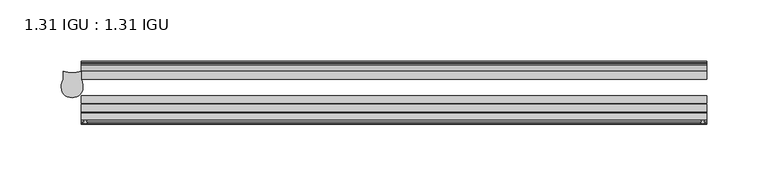
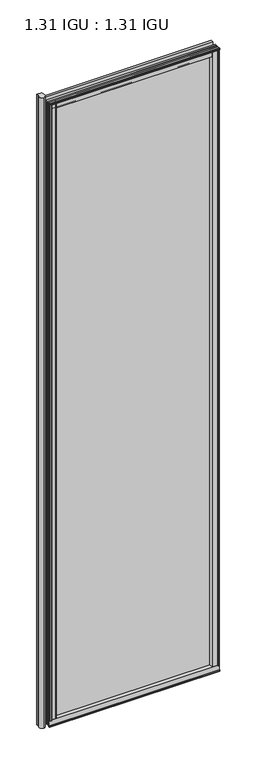
"""IFC4 building model written with IfcOpenShell, lengths in millimetres: plate geometry, 1.31 IGU : 1.31 IGU."""

import ifcopenshell
import ifcopenshell.guid

model = None  # the IFC model being written
_history = None  # IfcOwnerHistory: only IFC2X3 demands one
_inside = {}  # id of a spatial element -> (the spatial element, [elements in it])
_under = {}  # id of a project, library or spatial element -> (it, [spatial elements below it])
_declared = {}  # id of a project -> (the project, [libraries it declares])
_typed = {}  # id of a type object -> (the type object, [elements of that type])
_made_of = {}  # id of a material, layer set ... -> (it, [elements and type objects made of it])


def new_model(schema):
    """Start an empty IFC model of exactly this schema.

    Asked for "IFC4X3", IfcOpenShell would pick the latest addendum, in which some entities
    have other attributes; the version numbers below select the first issue.
    IFC2X3 requires an IfcOwnerHistory on every rooted entity: one is made here for all.
    """
    global model, _history
    if schema == "IFC4X3":
        model = ifcopenshell.file(schema_version=(4, 3, 0, 0))
    else:
        model = ifcopenshell.file(schema=schema)
    _inside.clear()
    _under.clear()
    _declared.clear()
    _typed.clear()
    _made_of.clear()
    _history = None
    if model.schema == "IFC2X3":
        org = make("IfcOrganization", Name="unknown")
        user = make(
            "IfcPersonAndOrganization",
            ThePerson=make("IfcPerson", FamilyName="unknown"),
            TheOrganization=org,
        )
        app = make(
            "IfcApplication",
            ApplicationDeveloper=org,
            Version="unknown",
            ApplicationFullName="unknown",
            ApplicationIdentifier="unknown",
        )
        _history = make(
            "IfcOwnerHistory",
            OwningUser=user,
            OwningApplication=app,
            ChangeAction="ADDED",
            CreationDate=0,
        )
    return model


def make(cls, **values):
    """One entity of the class cls with the attributes given. An attribute that is None is left unset."""
    return model.create_entity(
        cls, **{name: value for name, value in values.items() if value is not None}
    )


def rooted(cls, **values):
    """An entity with a GlobalId (a new one), such as an element, a storey or a relation."""
    return make(cls, GlobalId=ifcopenshell.guid.new(), OwnerHistory=_history, **values)


def si_unit(unit_type, name, prefix=None):
    """IfcSIUnit, for example si_unit("LENGTHUNIT", "METRE", prefix="MILLI")."""
    return make("IfcSIUnit", UnitType=unit_type, Prefix=prefix, Name=name)


def assignment(units):
    """IfcUnitAssignment: the units of a project."""
    return None if units is None else make("IfcUnitAssignment", Units=units)


def point(xyz):
    """IfcCartesianPoint."""
    return None if xyz is None else make("IfcCartesianPoint", Coordinates=xyz)


def direction(xyz):
    """IfcDirection."""
    return None if xyz is None else make("IfcDirection", DirectionRatios=xyz)


def frame(location, z_axis=None, x_axis=None):
    """IfcAxis2Placement3D, a coordinate frame: its origin and axes. An axis left out is left unset."""
    return make(
        "IfcAxis2Placement3D",
        Location=point(location),
        Axis=direction(z_axis),
        RefDirection=direction(x_axis),
    )


def frame_2d(location, x_axis=None):
    """IfcAxis2Placement2D, a coordinate frame in the plane: its origin and x axis."""
    return make(
        "IfcAxis2Placement2D", Location=point(location), RefDirection=direction(x_axis)
    )


def origin():
    """The frame at (0, 0, 0) with its axes left unset."""
    return frame((0.0, 0.0, 0.0))


def origin_with_axes():
    """The frame at (0, 0, 0) with the z axis (0, 0, 1) and the x axis (1, 0, 0) written out."""
    return frame((0.0, 0.0, 0.0), z_axis=(0.0, 0.0, 1.0), x_axis=(1.0, 0.0, 0.0))


def place(relative_to, where):
    """IfcLocalPlacement: puts the frame where relative to a parent placement (None: the world)."""
    return make(
        "IfcLocalPlacement", PlacementRelTo=relative_to, RelativePlacement=where
    )


def context(
    kind, dimensions, precision=None, world=None, true_north=None, identifier=None
):
    """IfcGeometricRepresentationContext, for example the 3D "Model" context."""
    return make(
        "IfcGeometricRepresentationContext",
        ContextIdentifier=identifier,
        ContextType=kind,
        CoordinateSpaceDimension=dimensions,
        Precision=precision,
        WorldCoordinateSystem=world,
        TrueNorth=true_north,
    )


def project(units=None, contexts=None):
    """IfcProject with its units and contexts."""
    return rooted(
        "IfcProject",
        Name="project",
        RepresentationContexts=contexts,
        UnitsInContext=assignment(units),
    )


def spatial(cls, under=None, at=None, **own):
    """A site, building, storey or space (cls), placed at a placement, below another one or the project."""
    s = rooted(cls, ObjectPlacement=at, **own)
    if under is not None:
        _under.setdefault(under.id(), (under, []))[1].append(s)
    return s


def polyline(points):
    """IfcPolyline through the points."""
    return make("IfcPolyline", Points=[point(p) for p in points])


def circle_curve(where, radius):
    """IfcCircle in the frame where."""
    return make("IfcCircle", Position=where, Radius=radius)


def ellipse_curve(where, semi_axis1, semi_axis2):
    """IfcEllipse in the frame where."""
    return make(
        "IfcEllipse", Position=where, SemiAxis1=semi_axis1, SemiAxis2=semi_axis2
    )


def trimmed(basis, trim1, trim2, sense, master):
    """IfcTrimmedCurve: the piece of a basis curve between two trims."""
    return make(
        "IfcTrimmedCurve",
        BasisCurve=basis,
        Trim1=trim1,
        Trim2=trim2,
        SenseAgreement=sense,
        MasterRepresentation=master,
    )


def segment(curve, same_sense, transition):
    """IfcCompositeCurveSegment."""
    return make(
        "IfcCompositeCurveSegment",
        Transition=transition,
        SameSense=same_sense,
        ParentCurve=curve,
    )


def composite_curve(segments, self_intersect=None):
    """IfcCompositeCurve: segments joined end to end."""
    return make("IfcCompositeCurve", Segments=segments, SelfIntersect=self_intersect)


def outline(outer, holes=None, kind="AREA"):
    """IfcArbitraryClosedProfileDef: a profile drawn as a closed curve; with holes, ...WithVoids."""
    if holes is None:
        return make("IfcArbitraryClosedProfileDef", ProfileType=kind, OuterCurve=outer)
    return make(
        "IfcArbitraryProfileDefWithVoids",
        ProfileType=kind,
        OuterCurve=outer,
        InnerCurves=holes,
    )


def extrude(swept, where, along, depth):
    """IfcExtrudedAreaSolid: the profile swept, set in the frame where, extruded along a direction by depth."""
    return make(
        "IfcExtrudedAreaSolid",
        SweptArea=swept,
        Position=where,
        ExtrudedDirection=direction(along),
        Depth=depth,
    )


def shape(context_of_items, identifier, shape_type, items):
    """IfcShapeRepresentation: the items that make up one representation, for example the "Body"."""
    return make(
        "IfcShapeRepresentation",
        ContextOfItems=context_of_items,
        RepresentationIdentifier=identifier,
        RepresentationType=shape_type,
        Items=items,
    )


def source(mapping_origin, context_of_items, identifier, shape_type, items):
    """IfcRepresentationMap: a shape defined once, which mapped items show again and again."""
    return make(
        "IfcRepresentationMap",
        MappingOrigin=mapping_origin,
        MappedRepresentation=shape(context_of_items, identifier, shape_type, items),
    )


def transform(
    local_origin,
    x_axis=None,
    y_axis=None,
    z_axis=None,
    scale=None,
    scale2=None,
    scale3=None,
    uniform=True,
):
    """IfcCartesianTransformationOperator3D, or its non-uniform kind. x_axis, y_axis, z_axis: its Axis1, 2, 3."""
    if uniform:
        return make(
            "IfcCartesianTransformationOperator3D",
            Axis1=direction(x_axis),
            Axis2=direction(y_axis),
            LocalOrigin=point(local_origin),
            Scale=scale,
            Axis3=direction(z_axis),
        )
    return make(
        "IfcCartesianTransformationOperator3DnonUniform",
        Axis1=direction(x_axis),
        Axis2=direction(y_axis),
        LocalOrigin=point(local_origin),
        Scale=scale,
        Axis3=direction(z_axis),
        Scale2=scale2,
        Scale3=scale3,
    )


def mapped(mapping_source, mapping_target):
    """IfcMappedItem: shows the shape of a source again, moved by a transform."""
    return make(
        "IfcMappedItem", MappingSource=mapping_source, MappingTarget=mapping_target
    )


def made_of(thing, what):
    """Note that an element or type object is made of a material, layer set ...; save() writes the relation."""
    if what is not None:
        _made_of.setdefault(what.id(), (what, []))[1].append(thing)
    return thing


def element(
    cls,
    number,
    at=None,
    inside=None,
    cuts=None,
    type_object=None,
    material=None,
    context=None,
    identifier="Body",
    shape_type=None,
    held_by="IfcProductDefinitionShape",
    body=None,
    shapes=None,
    **own,
):
    """One element of the class cls, such as IfcWall. Its Tag is "e" and its number.

    at: its placement. inside: the storey or other place that contains it. cuts: it is an
    opening in that element (IfcRelVoidsElement). A single representation is given by context,
    identifier, shape_type and body (its items); several are given by shapes. held_by: the class
    of the entity that holds the representations. save() writes the other relations.
    """
    e = rooted(cls, Tag="e%d" % number, ObjectPlacement=at, **own)
    if body is not None:
        shapes = [shape(context, identifier, shape_type, body)]
    if shapes is not None:
        e.Representation = make(held_by, Representations=shapes)
    if inside is not None:
        _inside.setdefault(inside.id(), (inside, []))[1].append(e)
    if cuts is not None:
        rooted(
            "IfcRelVoidsElement", RelatingBuildingElement=cuts, RelatedOpeningElement=e
        )
    if type_object is not None:
        _typed.setdefault(type_object.id(), (type_object, []))[1].append(e)
    return made_of(e, material)


def aggregate(whole, parts):
    """IfcRelAggregates: a whole, such as a stair, and the parts it consists of."""
    return rooted("IfcRelAggregates", RelatingObject=whole, RelatedObjects=parts)


def save(model, path):
    """Write the relations noted so far, then the file.

    IfcRelAggregates (storeys below a building ...), IfcRelContainedInSpatialStructure (elements
    in a storey), IfcRelDefinesByType, IfcRelAssociatesMaterial and IfcRelDeclares: one each for
    every whole, place, type object, material and project.
    """
    for whole, parts in _under.values():
        aggregate(whole, parts)
    for where, things in _inside.values():
        rooted(
            "IfcRelContainedInSpatialStructure",
            RelatedElements=things,
            RelatingStructure=where,
        )
    for kind, things in _typed.values():
        rooted("IfcRelDefinesByType", RelatedObjects=things, RelatingType=kind)
    for what, things in _made_of.values():
        rooted("IfcRelAssociatesMaterial", RelatedObjects=things, RelatingMaterial=what)
    for by, libraries in _declared.values():
        rooted("IfcRelDeclares", RelatingContext=by, RelatedDefinitions=libraries)
    model.write(path)


def plane_surface(at):
    """IfcPlane: the flat surface through the origin of the frame at, square to its z axis."""
    return make("IfcPlane", Position=at)


def cylinder_surface(at, radius):
    """IfcCylindricalSurface: all points at the distance radius from the z axis of the frame at."""
    return make("IfcCylindricalSurface", Position=at, Radius=radius)


def revolved_surface(curve, axis_point, axis_direction):
    """IfcSurfaceOfRevolution: the curve turned about the line through axis_point along axis_direction."""
    return make(
        "IfcSurfaceOfRevolution",
        SweptCurve=make("IfcArbitraryOpenProfileDef", ProfileType="CURVE", Curve=curve),
        AxisPosition=make("IfcAxis1Placement", Location=point(axis_point), Axis=direction(axis_direction)),
    )


def extruded_surface(curve, direction_of_extrusion, depth):
    """IfcSurfaceOfLinearExtrusion: the curve pushed along a direction by depth."""
    return make(
        "IfcSurfaceOfLinearExtrusion",
        SweptCurve=make("IfcArbitraryOpenProfileDef", ProfileType="CURVE", Curve=curve),
        ExtrudedDirection=direction(direction_of_extrusion),
        Depth=depth,
    )


def advanced_brep(points, edges, surfaces, faces):
    """IfcAdvancedBrep: a solid bounded by faces that lie on surfaces and meet in shared edges.

    An edge is (start, end): straight between two places in points (the first is 0);
    or (start, end, curve); or (start, end, curve, False) where it runs against its curve.
    A face is (place in surfaces, loops), or (place, loops, False) where it looks against
    its surface's normal. A loop lists edges by number (the first is 1), with a minus sign
    where the edge is run from its end to its start. The first loop is the outer one.
    """
    corners = [point(p) for p in points]
    vertices = [make("IfcVertexPoint", VertexGeometry=c) for c in corners]
    made = []
    for start, end, *more in edges:
        made.append(
            make(
                "IfcEdgeCurve",
                EdgeStart=vertices[start],
                EdgeEnd=vertices[end],
                EdgeGeometry=more[0] if more else make("IfcPolyline", Points=[corners[start], corners[end]]),
                SameSense=more[1] if len(more) > 1 else True,
            )
        )
    hull = []
    for where, loops, *sense in faces:
        bounds = []
        for j, loop in enumerate(loops):
            ring = [make("IfcOrientedEdge", EdgeElement=made[abs(k) - 1], Orientation=k > 0) for k in loop]
            bounds.append(
                make(
                    "IfcFaceOuterBound" if j == 0 else "IfcFaceBound",
                    Bound=make("IfcEdgeLoop", EdgeList=ring),
                    Orientation=True,
                )
            )
        hull.append(make("IfcAdvancedFace", Bounds=bounds, FaceSurface=surfaces[where], SameSense=sense[0] if sense else True))
    return make("IfcAdvancedBrep", Outer=make("IfcClosedShell", CfsFaces=hull))


def plate_1_31_igu_1_31_igu_43e6f790(model_context):
    return source(origin(), model_context, "Body", "SolidModel", [
        advanced_brep(
        [(-210.1117597, -39.3432088, 1974.8372998), (-201.289837, -31.0522938, 1974.8372998), (-202.7487195, -24.3085937, 1974.8372998), (-202.7487195, -17.9585937, 1974.8372998), (-210.1117597, -18.9109532, 1974.8372998), (-217.4748, -17.9585937, 1974.8372998), (-217.4748, -24.3085937, 1974.8372998), (-218.9336825, -31.0522937, 1974.8372998), (-210.1117597, -39.3432088, -31.7372998), (-218.9336825, -31.0522937, -31.7372998), (-217.4748, -24.3085937, -31.7372998), (-217.4748, -17.9585937, -31.7372998), (-210.1117597, -18.9109532, -31.7372998), (-202.7487195, -17.9585937, -31.7372998), (-202.7487195, -24.3085937, -31.7372998), (-201.289837, -31.0522938, -31.7372998)],
        [
            (0, 1, ellipse_curve(frame((-209.3823185, -31.0522937, 1974.8372998), z_axis=(0.0, 0.0, 1.0), x_axis=(0.0, 1.0, 0.0)), 8.3248031, 8.0924815)),
            (1, 2, circle_curve(frame((-217.6056908, -31.0522937, 1974.8372998), z_axis=(0.0, 0.0, 1.0), x_axis=(0.0, 1.0, 0.0)), 16.3158538)),
            (2, 3),
            (3, 4, circle_curve(frame((-210.1117597, 10.0284087, 1974.8372998), z_axis=(0.0, 0.0, -1.0), x_axis=(0.0, 1.0, 0.0)), 28.9393619)),
            (4, 5, circle_curve(frame((-210.1117597, 10.0284087, 1974.8372998), z_axis=(0.0, 0.0, -1.0), x_axis=(0.0, 1.0, 0.0)), 28.9393619)),
            (5, 6),
            (6, 7, circle_curve(frame((-202.6178287, -31.0522937, 1974.8372998), z_axis=(0.0, 0.0, 1.0), x_axis=(0.0, 1.0, 0.0)), 16.3158538)),
            (7, 0, ellipse_curve(frame((-210.841201, -31.0522937, 1974.8372998), z_axis=(0.0, 0.0, 1.0), x_axis=(0.0, 1.0, 0.0)), 8.3248031, 8.0924815)),
            (8, 9, ellipse_curve(frame((-210.841201, -31.0522937, -31.7372998), z_axis=(0.0, 0.0, -1.0), x_axis=(0.0, 1.0, 0.0)), 8.3248031, 8.0924815)),
            (9, 10, circle_curve(frame((-202.6178287, -31.0522937, -31.7372998), z_axis=(0.0, 0.0, -1.0), x_axis=(0.0, 1.0, 0.0)), 16.3158538)),
            (10, 11),
            (11, 12, circle_curve(frame((-210.1117597, 10.0284087, -31.7372998), z_axis=(0.0, 0.0, 1.0), x_axis=(0.0, 1.0, 0.0)), 28.9393619)),
            (12, 13, circle_curve(frame((-210.1117597, 10.0284087, -31.7372998), z_axis=(0.0, 0.0, 1.0), x_axis=(0.0, 1.0, 0.0)), 28.9393619)),
            (13, 14),
            (14, 15, circle_curve(frame((-217.6056908, -31.0522937, -31.7372998), z_axis=(0.0, 0.0, -1.0), x_axis=(0.0, 1.0, 0.0)), 16.3158538)),
            (15, 8, ellipse_curve(frame((-209.3823185, -31.0522937, -31.7372998), z_axis=(0.0, 0.0, -1.0), x_axis=(0.0, 1.0, 0.0)), 8.3248031, 8.0924815)),
            (7, 9),
            (8, 0),
            (6, 10),
            (5, 11),
            (4, 12),
            (3, 13),
            (2, 14),
            (1, 15),
        ],
        [
            plane_surface(frame((-288.925, -11.6085937, 1974.8372998), z_axis=(0.0, 0.0, 1.0), x_axis=(0.0, 1.0, 0.0))),
            plane_surface(frame((-288.925, -11.6085937, -31.7372998), z_axis=(0.0, 0.0, -1.0), x_axis=(0.0, 1.0, 0.0))),
            extruded_surface(trimmed(ellipse_curve(frame((-210.841201, -31.0522937, -31.7372998), z_axis=(0.0, 0.0, 1.0), x_axis=(0.0, 1.0, 0.0)), 8.3248031, 8.0924815), [point((-218.9336825, -31.0522937, -31.7372998))], [point((-210.1117597, -39.3432088, -31.7372998))], True, "CARTESIAN"), (0.0, 0.0, 2006.5745996), 2006.5745996),
            cylinder_surface(frame((-202.6178287, -31.0522937, 1974.8372998), z_axis=(0.0, 0.0, 1.0), x_axis=(0.0, 1.0, 0.0)), 16.3158538),
            plane_surface(frame((-217.4748, -17.9585937, 1974.8372998), z_axis=(-1.0, 0.0, 0.0), x_axis=(0.0, 0.0, -1.0))),
            revolved_surface(polyline([(-210.1117597, 38.9677706, -31.737299800000073), (-210.1117597, 38.9677706, 1974.8372998)]), (-210.1117597, 10.0284087, 1974.8372998), (0.0, 0.0, -1.0)),
            plane_surface(frame((-202.7487195, -24.3085937, 1974.8372998), z_axis=(1.0, 0.0, 0.0), x_axis=(0.0, 0.0, -1.0))),
            cylinder_surface(frame((-217.6056908, -31.0522937, 1974.8372998), z_axis=(0.0, 0.0, 1.0), x_axis=(0.0, 1.0, 0.0)), 16.3158538),
            extruded_surface(trimmed(ellipse_curve(frame((-209.3823185, -31.0522937, -31.7372998), z_axis=(0.0, 0.0, 1.0), x_axis=(0.0, 1.0, 0.0)), 8.3248031, 8.0924815), [point((-210.1117597, -39.3432088, -31.7372998))], [point((-201.289837, -31.0522938, -31.7372998))], True, "CARTESIAN"), (0.0, 0.0, 2006.5745996), 2006.5745996),
        ],
        [
            (0, [[1, 2, 3, 4, 5, 6, 7, 8]]),
            (1, [[9, 10, 11, 12, 13, 14, 15, 16]]),
            (2, [[-8, 17, -9, 18]]),
            (3, [[-7, 19, -10, -17]]),
            (4, [[-6, 20, -11, -19]]),
            (5, [[-5, 21, -12, -20]]),
            (5, [[-4, 22, -13, -21]]),
            (6, [[-3, 23, -14, -22]]),
            (7, [[-2, 24, -15, -23]]),
            (8, [[-1, -18, -16, -24]]),
        ],
    ),
        extrude(outline(composite_curve([segment(polyline([(303.2245906, -57.6333938), (287.0398437, -57.6333938)]), True, "CONTINUOUS"), segment(trimmed(circle_curve(frame_2d((279.7451146, -57.6547678)), 7.2947605), [point((287.0398437, -57.6333938))], [point((283.2974551, -51.2833938))], True, "CARTESIAN"), True, "CONTINUOUS"), segment(polyline([(283.2974551, -51.2833938), (306.167876, -51.2833938)]), True, "CONTINUOUS"), segment(trimmed(circle_curve(frame_2d((306.167876, -52.0707938)), 0.7874), [point((306.167876, -51.2833938))], [point((306.9494069, -51.9748338))], False, "CARTESIAN"), True, "CONTINUOUS"), segment(polyline([(306.9494069, -51.9748338), (307.6441906, -57.6333938), (305.7137906, -57.6333938), (305.2565906, -59.624458), (306.2579525, -59.3561439), (306.5011906, -60.263921), (304.4691906, -60.8083938), (302.4371906, -60.263921), (302.6804288, -59.3561439), (303.6817906, -59.624458), (303.2245906, -57.6333938)]), True, "CONTINUOUS")], self_intersect=False)), origin_with_axes(), (0.0, 0.0, 1.0), 1962.15),
        extrude(outline(composite_curve([segment(polyline([(-182.0664063, -57.6333937), (-198.2511531, -57.6333937), (-198.7083531, -59.624458), (-197.7069913, -59.3561439), (-197.4637531, -60.263921), (-199.4957531, -60.8083937), (-201.5277531, -60.263921), (-201.284515, -59.3561439), (-200.2831531, -59.624458), (-200.7403531, -57.6333937), (-202.6707531, -57.6333937), (-201.9759694, -51.9748338)]), True, "CONTINUOUS"), segment(trimmed(circle_curve(frame_2d((-201.1944385, -52.0707937)), 0.7874), [point((-201.9759694, -51.9748338))], [point((-201.1944385, -51.2833937))], False, "CARTESIAN"), True, "CONTINUOUS"), segment(polyline([(-201.1944385, -51.2833937), (-178.3240176, -51.2833937)]), True, "CONTINUOUS"), segment(trimmed(circle_curve(frame_2d((-174.7716771, -57.6547678)), 7.2947605), [point((-178.3240176, -51.2833937))], [point((-182.0664063, -57.6333937))], True, "CARTESIAN"), True, "CONTINUOUS")], self_intersect=False)), origin_with_axes(), (0.0, 0.0, 1.0), 1962.15),
        extrude(outline(polyline([(-9.7543937, -6.8579998), (-10.4009552, -9.2709998), (-11.2596632, -9.0409097), (-10.8839895, -7.6388763), (-13.1833937, -8.3819998), (-13.1833937, -11.7850089), (-17.9585937, -10.1533914), (-17.9585937, 0.6595133), (-13.1833937, -0.5079998), (-13.1833937, -5.4609998), (-10.8839895, -6.0771233), (-11.2596632, -4.6750899), (-10.4009552, -4.4449998), (-9.7543937, -6.8579998)])), frame((-202.7039063, 0.0, 0.0), z_axis=(1.0, 0.0, 0.0), x_axis=(0.0, 1.0, 0.0)), (0.0, 0.0, 1.0), 510.38125),
        extrude(outline(composite_curve([segment(polyline([(-51.9748338, -19.930016), (-57.6333937, -20.6247998), (-57.6333937, -18.6943998), (-59.624458, -18.2371998), (-59.3561439, -19.2385617), (-60.263921, -19.4817998), (-60.8083937, -17.4497998), (-60.263921, -15.4177998), (-59.3561439, -15.6610379), (-59.624458, -16.6623998), (-57.6333937, -16.2051998), (-57.6333937, 0.0127002)]), True, "CONTINUOUS"), segment(trimmed(circle_curve(frame_2d((-58.1588233, 7.9620141)), 7.9666598), [point((-57.6333937, 0.0127002))], [point((-51.2833937, 3.9375717))], True, "CARTESIAN"), True, "CONTINUOUS"), segment(polyline([(-51.2833937, 3.9375717), (-51.2833937, -19.1484852)]), True, "CONTINUOUS"), segment(trimmed(circle_curve(frame_2d((-52.0707937, -19.1484852)), 0.7874), [point((-51.2833937, -19.1484852))], [point((-51.9748338, -19.930016))], False, "CARTESIAN"), True, "CONTINUOUS")], self_intersect=False)), frame((-202.7039063, 0.0, 0.0), z_axis=(1.0, 0.0, 0.0), x_axis=(0.0, 1.0, 0.0)), (0.0, 0.0, 1.0), 510.38125),
        extrude(outline(polyline([(-17.9585937, 1953.2533914), (-13.1833937, 1954.8850089), (-13.1833937, 1951.4819998), (-10.8839895, 1950.7388763), (-11.2596632, 1952.1409097), (-10.4009552, 1952.3709998), (-9.7543937, 1949.9579998), (-10.4009552, 1947.5449998), (-11.2596632, 1947.7750899), (-10.8839895, 1949.1771233), (-13.1833937, 1948.5609998), (-13.1833937, 1943.6079998), (-17.9585937, 1942.4404867), (-17.9585937, 1953.2533914)])), frame((-202.7039063, 0.0, 0.0), z_axis=(1.0, 0.0, 0.0), x_axis=(0.0, 1.0, 0.0)), (0.0, 0.0, 1.0), 510.38125),
        extrude(outline(composite_curve([segment(trimmed(circle_curve(frame_2d((-52.0707937, 1962.2484852)), 0.7874), [point((-51.9748338, 1963.030016))], [point((-51.2833937, 1962.2484852))], False, "CARTESIAN"), True, "CONTINUOUS"), segment(polyline([(-51.2833937, 1962.2484852), (-51.2833937, 1939.1624283)]), True, "CONTINUOUS"), segment(trimmed(circle_curve(frame_2d((-58.1588233, 1935.1379859)), 7.9666598), [point((-51.2833937, 1939.1624283))], [point((-57.6333937, 1943.0872998))], True, "CARTESIAN"), True, "CONTINUOUS"), segment(polyline([(-57.6333937, 1943.0872998), (-57.6333937, 1959.3051998), (-59.624458, 1959.7623998), (-59.3561439, 1958.7610379), (-60.263921, 1958.5177998), (-60.8083937, 1960.5497998), (-60.263921, 1962.5817998), (-59.3561439, 1962.3385617), (-59.624458, 1961.3371998), (-57.6333937, 1961.7943998), (-57.6333937, 1963.7247998), (-51.9748338, 1963.030016)]), True, "CONTINUOUS")], self_intersect=False)), frame((-202.7039063, 0.0, 0.0), z_axis=(1.0, 0.0, 0.0), x_axis=(0.0, 1.0, 0.0)), (0.0, 0.0, 1.0), 510.38125),
        extrude(outline(polyline([(296.5765765, -10.8839895), (297.3197, -13.1833937), (300.7227091, -13.1833937), (299.0910916, -17.9585937), (288.2781869, -17.9585937), (289.4457, -13.1833937), (294.3987, -13.1833937), (295.0148235, -10.8839895), (293.6127901, -11.2596632), (293.3827, -10.4009552), (295.7957, -9.7543937), (298.2087, -10.4009552), (297.9786099, -11.2596632), (296.5765765, -10.8839895)])), origin_with_axes(), (0.0, 0.0, 1.0), 1943.1),
        extrude(outline(polyline([(307.6773437, -17.9585937), (307.6773437, -24.3085937), (-202.7039063, -24.3085937), (-202.7039063, -17.9585937), (307.6773437, -17.9585937)])), frame((0.0, 0.0, -19.0372998), z_axis=(0.0, 0.0, 1.0), x_axis=(1.0, 0.0, 0.0)), (0.0, 0.0, 1.0), 1981.1872998),
        extrude(outline(polyline([(-202.7039063, -44.1459937), (-202.7039063, -37.7959937), (307.6773437, -37.7959937), (307.6773437, -44.1459937), (-202.7039063, -44.1459937)])), frame((0.0, 0.0, -19.0372998), z_axis=(0.0, 0.0, 1.0), x_axis=(1.0, 0.0, 0.0)), (0.0, 0.0, 1.0), 1981.1872998),
        extrude(outline(polyline([(-202.7039063, -51.2833937), (-202.7039063, -44.9333937), (307.6773437, -44.9333937), (307.6773437, -51.2833937), (-202.7039063, -51.2833937)])), frame((0.0, 0.0, -19.0372998), z_axis=(0.0, 0.0, 1.0), x_axis=(1.0, 0.0, 0.0)), (0.0, 0.0, 1.0), 1981.1872998),
    ])


if __name__ == "__main__":
    model = new_model("IFC4")
    model_context = context("Model", 3, world=origin())
    ifc_project = project(units=[si_unit("LENGTHUNIT", "METRE", prefix="MILLI")], contexts=[model_context])
    site = spatial("IfcSite", under=ifc_project)
    building = spatial("IfcBuilding", under=site)
    placement = place(None, origin())
    plate_1_31_igu_1_31_igu_shape = plate_1_31_igu_1_31_igu_43e6f790(model_context)
    element("IfcPlate", 1, ObjectType="1.31 IGU : 1.31 IGU", at=placement, inside=building, context=model_context, shape_type="MappedRepresentation", body=[
        mapped(plate_1_31_igu_1_31_igu_shape, transform((0.0, 0.0, 0.0), x_axis=(1.0, 0.0, 0.0), y_axis=(0.0, 1.0, 0.0), z_axis=(0.0, 0.0, 1.0))),
    ])
    save(model, "model.ifc")
